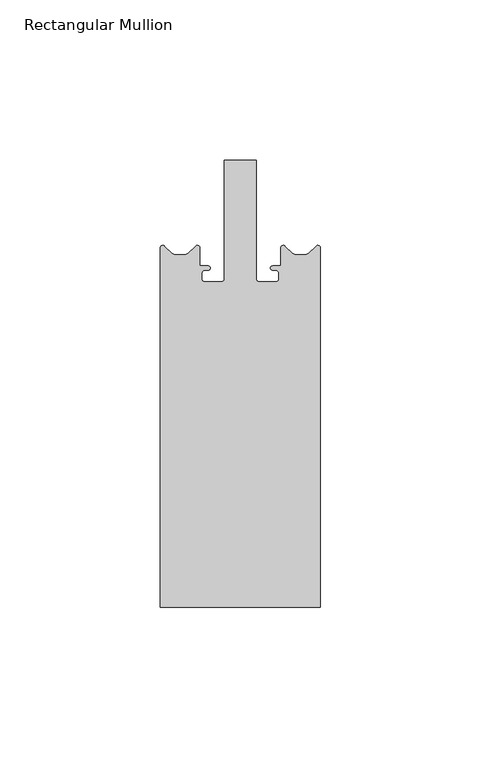
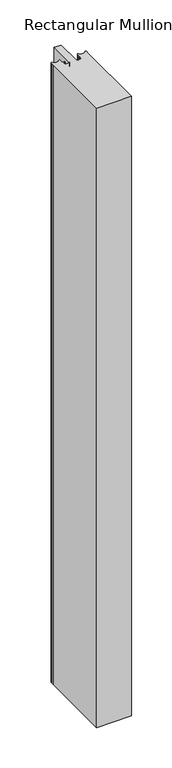
"""IFC4 building model written with IfcOpenShell, lengths in millimetres: member geometry, Rectangular Mullion."""

from ifc_helpers import new_model, si_unit, point, frame, frame_2d, origin, place, context, project, spatial, polyline, circle_curve, trimmed, segment, composite_curve, outline, extrude, source, transform, mapped, element, save


def rectangular_mullion_2573b6c4(model_context):
    return source(origin(), model_context, "Body", "SweptSolid", [
        extrude(outline(composite_curve([segment(polyline([(-25.0, 20.5), (-25.0, 127.990954), (-25.0, 132.6060663)]), True, "CONTINUOUS"), segment(trimmed(circle_curve(frame_2d((-24.2060663, 132.6060663)), 0.7939337), [point((-25.0, 132.6060663))], [point((-23.6684576, 133.1902817))], False, "CARTESIAN"), True, "CONTINUOUS"), segment(polyline([(-23.6684576, 133.1902817), (-21.3405776, 131.048112)]), True, "CONTINUOUS"), segment(trimmed(circle_curve(frame_2d((-19.9862865, 132.5198101)), 2.0), [point((-21.3405776, 131.048112))], [point((-19.9862865, 130.5198101))], True, "CARTESIAN"), True, "CONTINUOUS"), segment(polyline([(-19.9862865, 130.5198101), (-18.8, 130.5198101), (-17.6137135, 130.5198101)]), True, "CONTINUOUS"), segment(trimmed(circle_curve(frame_2d((-17.6137135, 132.5198101)), 2.0), [point((-17.6137135, 130.5198101))], [point((-16.2594224, 131.048112))], True, "CARTESIAN"), True, "CONTINUOUS"), segment(polyline([(-16.2594224, 131.048112), (-13.9315424, 133.1902817)]), True, "CONTINUOUS"), segment(trimmed(circle_curve(frame_2d((-13.3939337, 132.6060663)), 0.7939337), [point((-13.9315424, 133.1902817))], [point((-12.6, 132.6060663))], False, "CARTESIAN"), True, "CONTINUOUS"), segment(polyline([(-12.6, 132.6060663), (-12.6, 127.0), (-10.04999, 127.0)]), True, "CONTINUOUS"), segment(trimmed(circle_curve(frame_2d((-10.04999, 126.35001)), 0.64999), [point((-10.04999, 127.0))], [point((-9.4, 126.35))], False, "CARTESIAN"), True, "CONTINUOUS"), segment(trimmed(circle_curve(frame_2d((-10.04999, 126.34999)), 0.64999), [point((-9.4, 126.35))], [point((-10.04999, 125.7))], False, "CARTESIAN"), True, "CONTINUOUS"), segment(polyline([(-10.04999, 125.7), (-11.0, 125.7)]), True, "CONTINUOUS"), segment(trimmed(circle_curve(frame_2d((-11.0, 124.7)), 1.0), [point((-11.0, 125.7))], [point((-12.0, 124.7))], True, "CARTESIAN"), True, "CONTINUOUS"), segment(polyline([(-12.0, 124.7), (-12.0, 123.0)]), True, "CONTINUOUS"), segment(trimmed(circle_curve(frame_2d((-11.0, 123.0)), 1.0), [point((-12.0, 123.0))], [point((-11.0, 122.0))], True, "CARTESIAN"), True, "CONTINUOUS"), segment(polyline([(-11.0, 122.0), (-6.0, 122.0)]), True, "CONTINUOUS"), segment(trimmed(circle_curve(frame_2d((-6.0, 123.0)), 1.0), [point((-6.0, 122.0))], [point((-5.0, 123.0))], True, "CARTESIAN"), True, "CONTINUOUS"), segment(polyline([(-5.0, 123.0), (-5.0, 160.0), (5.0, 160.0), (5.0, 123.0)]), True, "CONTINUOUS"), segment(trimmed(circle_curve(frame_2d((6.0, 123.0)), 1.0), [point((5.0, 123.0))], [point((6.0, 122.0))], True, "CARTESIAN"), True, "CONTINUOUS"), segment(polyline([(6.0, 122.0), (11.0, 122.0)]), True, "CONTINUOUS"), segment(trimmed(circle_curve(frame_2d((11.0, 123.0)), 1.0), [point((11.0, 122.0))], [point((12.0, 123.0))], True, "CARTESIAN"), True, "CONTINUOUS"), segment(polyline([(12.0, 123.0), (12.0, 124.7)]), True, "CONTINUOUS"), segment(trimmed(circle_curve(frame_2d((11.0, 124.7)), 1.0), [point((12.0, 124.7))], [point((11.0, 125.7))], True, "CARTESIAN"), True, "CONTINUOUS"), segment(polyline([(11.0, 125.7), (10.04999, 125.7)]), True, "CONTINUOUS"), segment(trimmed(circle_curve(frame_2d((10.04999, 126.34999)), 0.64999), [point((10.04999, 125.7))], [point((9.4, 126.35))], False, "CARTESIAN"), True, "CONTINUOUS"), segment(trimmed(circle_curve(frame_2d((10.04999, 126.35001)), 0.64999), [point((9.4, 126.35))], [point((10.04999, 127.0))], False, "CARTESIAN"), True, "CONTINUOUS"), segment(polyline([(10.04999, 127.0), (12.6, 127.0), (12.6, 132.6060663)]), True, "CONTINUOUS"), segment(trimmed(circle_curve(frame_2d((13.3939337, 132.6060663)), 0.7939337), [point((12.6, 132.6060663))], [point((13.9315424, 133.1902817))], False, "CARTESIAN"), True, "CONTINUOUS"), segment(polyline([(13.9315424, 133.1902817), (16.2594224, 131.048112)]), True, "CONTINUOUS"), segment(trimmed(circle_curve(frame_2d((17.6137135, 132.5198101)), 2.0), [point((16.2594224, 131.048112))], [point((17.6137135, 130.5198101))], True, "CARTESIAN"), True, "CONTINUOUS"), segment(polyline([(17.6137135, 130.5198101), (18.8, 130.5198101), (19.9862865, 130.5198101)]), True, "CONTINUOUS"), segment(trimmed(circle_curve(frame_2d((19.9862865, 132.5198101)), 2.0), [point((19.9862865, 130.5198101))], [point((21.3405776, 131.048112))], True, "CARTESIAN"), True, "CONTINUOUS"), segment(polyline([(21.3405776, 131.048112), (23.6684576, 133.1902817)]), True, "CONTINUOUS"), segment(trimmed(circle_curve(frame_2d((24.2060663, 132.6060663)), 0.7939337), [point((23.6684576, 133.1902817))], [point((25.0, 132.6060663))], False, "CARTESIAN"), True, "CONTINUOUS"), segment(polyline([(25.0, 132.6060663), (25.0, 127.990954), (25.0, 20.5), (-25.0, 20.5)]), True, "CONTINUOUS")], self_intersect=False)), frame((0.0, 0.0, -935.0000002), z_axis=(0.0, 0.0, 1.0), x_axis=(1.0, 0.0, 0.0)), (0.0, 0.0, 1.0), 935.0000002),
    ])


if __name__ == "__main__":
    model = new_model("IFC4")
    model_context = context("Model", 3, world=origin())
    ifc_project = project(units=[si_unit("LENGTHUNIT", "METRE", prefix="MILLI")], contexts=[model_context])
    site = spatial("IfcSite", under=ifc_project)
    building = spatial("IfcBuilding", under=site)
    placement = place(None, origin())
    rectangular_mullion_shape = rectangular_mullion_2573b6c4(model_context)
    element("IfcMember", 1, ObjectType="Rectangular Mullion", at=placement, inside=building, context=model_context, shape_type="MappedRepresentation", body=[
        mapped(rectangular_mullion_shape, transform((0.0, 0.0, 0.0), x_axis=(1.0, 0.0, 0.0), y_axis=(0.0, 1.0, 0.0), z_axis=(0.0, 0.0, 1.0))),
    ])
    save(model, "model.ifc")
